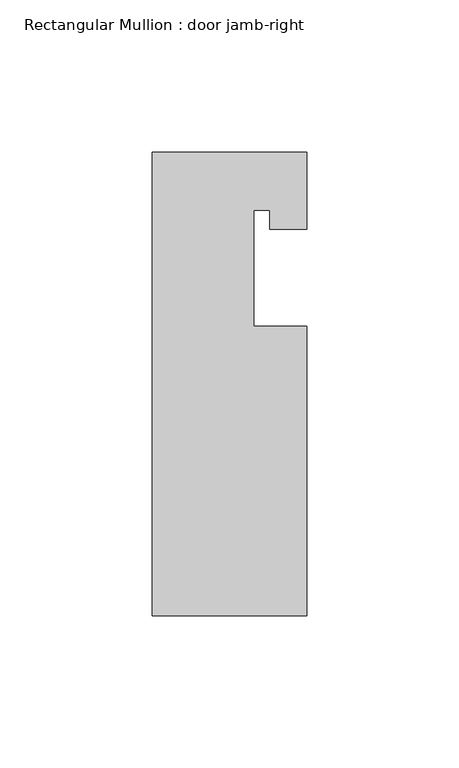
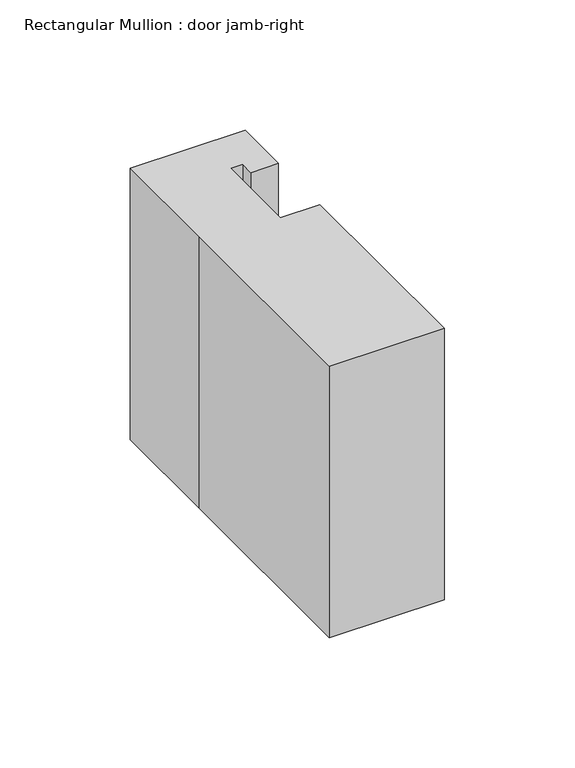
"""IFC4 building model written with IfcOpenShell, lengths in millimetres: member geometry, Rectangular Mullion : door jamb-right."""

from ifc_helpers import new_model, si_unit, frame, origin, place, context, project, spatial, polyline, outline, extrude, source, transform, mapped, element, save


def rectangular_mullion_door_jamb_right_f6d3cf3b(model_context):
    return source(origin(), model_context, "Body", "SweptSolid", [
        extrude(outline(polyline([(25.4, -146.05), (-25.4, -146.05), (-25.4, -45.8947778), (-25.4, 6.35), (25.4, 6.35), (25.4, -19.05), (13.208, -19.05), (13.208, -12.7), (7.9502, -12.7), (7.9502, -50.8), (25.4, -50.8), (25.4, -146.05)])), frame((0.0, 0.0, -127.0), z_axis=(0.0, 0.0, 1.0), x_axis=(1.0, 0.0, 0.0)), (0.0, 0.0, 1.0), 127.0),
    ])


if __name__ == "__main__":
    model = new_model("IFC4")
    model_context = context("Model", 3, world=origin())
    ifc_project = project(units=[si_unit("LENGTHUNIT", "METRE", prefix="MILLI")], contexts=[model_context])
    site = spatial("IfcSite", under=ifc_project)
    building = spatial("IfcBuilding", under=site)
    placement = place(None, origin())
    rectangular_mullion_door_jamb_right_shape = rectangular_mullion_door_jamb_right_f6d3cf3b(model_context)
    element("IfcMember", 1, ObjectType="Rectangular Mullion : door jamb-right", at=placement, inside=building, context=model_context, shape_type="MappedRepresentation", body=[
        mapped(rectangular_mullion_door_jamb_right_shape, transform((0.0, 0.0, 0.0), x_axis=(1.0, 0.0, 0.0), y_axis=(0.0, 1.0, 0.0), z_axis=(0.0, 0.0, 1.0))),
    ])
    save(model, "model.ifc")
